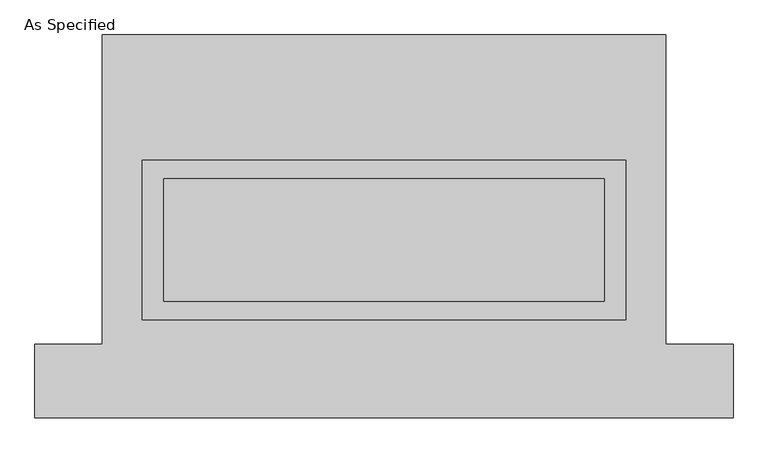
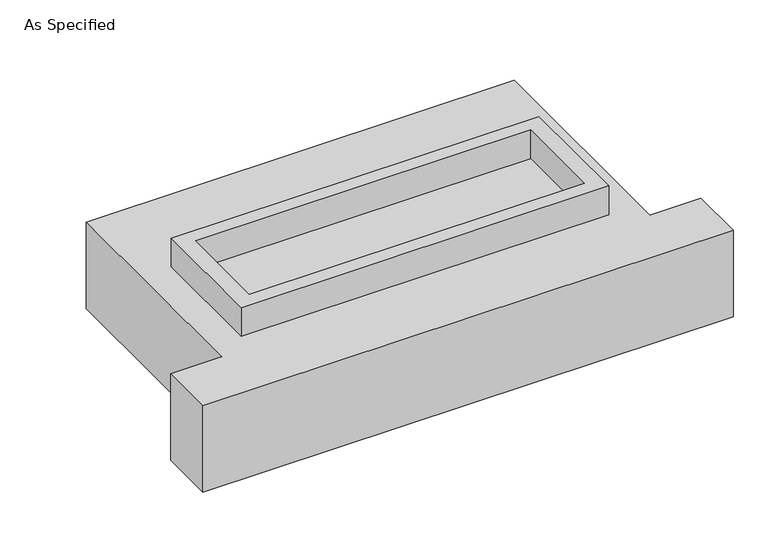
"""IFC4 building model written with IfcOpenShell, lengths in millimetres: proxy geometry, As Specified."""

import ifcopenshell
import ifcopenshell.guid

model = None  # the IFC model being written
_history = None  # IfcOwnerHistory: only IFC2X3 demands one
_inside = {}  # id of a spatial element -> (the spatial element, [elements in it])
_under = {}  # id of a project, library or spatial element -> (it, [spatial elements below it])
_declared = {}  # id of a project -> (the project, [libraries it declares])
_typed = {}  # id of a type object -> (the type object, [elements of that type])
_made_of = {}  # id of a material, layer set ... -> (it, [elements and type objects made of it])


def new_model(schema):
    """Start an empty IFC model of exactly this schema.

    Asked for "IFC4X3", IfcOpenShell would pick the latest addendum, in which some entities
    have other attributes; the version numbers below select the first issue.
    IFC2X3 requires an IfcOwnerHistory on every rooted entity: one is made here for all.
    """
    global model, _history
    if schema == "IFC4X3":
        model = ifcopenshell.file(schema_version=(4, 3, 0, 0))
    else:
        model = ifcopenshell.file(schema=schema)
    _inside.clear()
    _under.clear()
    _declared.clear()
    _typed.clear()
    _made_of.clear()
    _history = None
    if model.schema == "IFC2X3":
        org = make("IfcOrganization", Name="unknown")
        user = make(
            "IfcPersonAndOrganization",
            ThePerson=make("IfcPerson", FamilyName="unknown"),
            TheOrganization=org,
        )
        app = make(
            "IfcApplication",
            ApplicationDeveloper=org,
            Version="unknown",
            ApplicationFullName="unknown",
            ApplicationIdentifier="unknown",
        )
        _history = make(
            "IfcOwnerHistory",
            OwningUser=user,
            OwningApplication=app,
            ChangeAction="ADDED",
            CreationDate=0,
        )
    return model


def make(cls, **values):
    """One entity of the class cls with the attributes given. An attribute that is None is left unset."""
    return model.create_entity(
        cls, **{name: value for name, value in values.items() if value is not None}
    )


def rooted(cls, **values):
    """An entity with a GlobalId (a new one), such as an element, a storey or a relation."""
    return make(cls, GlobalId=ifcopenshell.guid.new(), OwnerHistory=_history, **values)


def si_unit(unit_type, name, prefix=None):
    """IfcSIUnit, for example si_unit("LENGTHUNIT", "METRE", prefix="MILLI")."""
    return make("IfcSIUnit", UnitType=unit_type, Prefix=prefix, Name=name)


def assignment(units):
    """IfcUnitAssignment: the units of a project."""
    return None if units is None else make("IfcUnitAssignment", Units=units)


def point(xyz):
    """IfcCartesianPoint."""
    return None if xyz is None else make("IfcCartesianPoint", Coordinates=xyz)


def direction(xyz):
    """IfcDirection."""
    return None if xyz is None else make("IfcDirection", DirectionRatios=xyz)


def frame(location, z_axis=None, x_axis=None):
    """IfcAxis2Placement3D, a coordinate frame: its origin and axes. An axis left out is left unset."""
    return make(
        "IfcAxis2Placement3D",
        Location=point(location),
        Axis=direction(z_axis),
        RefDirection=direction(x_axis),
    )


def origin():
    """The frame at (0, 0, 0) with its axes left unset."""
    return frame((0.0, 0.0, 0.0))


def place(relative_to, where):
    """IfcLocalPlacement: puts the frame where relative to a parent placement (None: the world)."""
    return make(
        "IfcLocalPlacement", PlacementRelTo=relative_to, RelativePlacement=where
    )


def context(
    kind, dimensions, precision=None, world=None, true_north=None, identifier=None
):
    """IfcGeometricRepresentationContext, for example the 3D "Model" context."""
    return make(
        "IfcGeometricRepresentationContext",
        ContextIdentifier=identifier,
        ContextType=kind,
        CoordinateSpaceDimension=dimensions,
        Precision=precision,
        WorldCoordinateSystem=world,
        TrueNorth=true_north,
    )


def project(units=None, contexts=None):
    """IfcProject with its units and contexts."""
    return rooted(
        "IfcProject",
        Name="project",
        RepresentationContexts=contexts,
        UnitsInContext=assignment(units),
    )


def spatial(cls, under=None, at=None, **own):
    """A site, building, storey or space (cls), placed at a placement, below another one or the project."""
    s = rooted(cls, ObjectPlacement=at, **own)
    if under is not None:
        _under.setdefault(under.id(), (under, []))[1].append(s)
    return s


def polyline(points):
    """IfcPolyline through the points."""
    return make("IfcPolyline", Points=[point(p) for p in points])


def outline(outer, holes=None, kind="AREA"):
    """IfcArbitraryClosedProfileDef: a profile drawn as a closed curve; with holes, ...WithVoids."""
    if holes is None:
        return make("IfcArbitraryClosedProfileDef", ProfileType=kind, OuterCurve=outer)
    return make(
        "IfcArbitraryProfileDefWithVoids",
        ProfileType=kind,
        OuterCurve=outer,
        InnerCurves=holes,
    )


def extrude(swept, where, along, depth):
    """IfcExtrudedAreaSolid: the profile swept, set in the frame where, extruded along a direction by depth."""
    return make(
        "IfcExtrudedAreaSolid",
        SweptArea=swept,
        Position=where,
        ExtrudedDirection=direction(along),
        Depth=depth,
    )


def shape(context_of_items, identifier, shape_type, items):
    """IfcShapeRepresentation: the items that make up one representation, for example the "Body"."""
    return make(
        "IfcShapeRepresentation",
        ContextOfItems=context_of_items,
        RepresentationIdentifier=identifier,
        RepresentationType=shape_type,
        Items=items,
    )


def source(mapping_origin, context_of_items, identifier, shape_type, items):
    """IfcRepresentationMap: a shape defined once, which mapped items show again and again."""
    return make(
        "IfcRepresentationMap",
        MappingOrigin=mapping_origin,
        MappedRepresentation=shape(context_of_items, identifier, shape_type, items),
    )


def transform(
    local_origin,
    x_axis=None,
    y_axis=None,
    z_axis=None,
    scale=None,
    scale2=None,
    scale3=None,
    uniform=True,
):
    """IfcCartesianTransformationOperator3D, or its non-uniform kind. x_axis, y_axis, z_axis: its Axis1, 2, 3."""
    if uniform:
        return make(
            "IfcCartesianTransformationOperator3D",
            Axis1=direction(x_axis),
            Axis2=direction(y_axis),
            LocalOrigin=point(local_origin),
            Scale=scale,
            Axis3=direction(z_axis),
        )
    return make(
        "IfcCartesianTransformationOperator3DnonUniform",
        Axis1=direction(x_axis),
        Axis2=direction(y_axis),
        LocalOrigin=point(local_origin),
        Scale=scale,
        Axis3=direction(z_axis),
        Scale2=scale2,
        Scale3=scale3,
    )


def mapped(mapping_source, mapping_target):
    """IfcMappedItem: shows the shape of a source again, moved by a transform."""
    return make(
        "IfcMappedItem", MappingSource=mapping_source, MappingTarget=mapping_target
    )


def made_of(thing, what):
    """Note that an element or type object is made of a material, layer set ...; save() writes the relation."""
    if what is not None:
        _made_of.setdefault(what.id(), (what, []))[1].append(thing)
    return thing


def element(
    cls,
    number,
    at=None,
    inside=None,
    cuts=None,
    type_object=None,
    material=None,
    context=None,
    identifier="Body",
    shape_type=None,
    held_by="IfcProductDefinitionShape",
    body=None,
    shapes=None,
    **own,
):
    """One element of the class cls, such as IfcWall. Its Tag is "e" and its number.

    at: its placement. inside: the storey or other place that contains it. cuts: it is an
    opening in that element (IfcRelVoidsElement). A single representation is given by context,
    identifier, shape_type and body (its items); several are given by shapes. held_by: the class
    of the entity that holds the representations. save() writes the other relations.
    """
    e = rooted(cls, Tag="e%d" % number, ObjectPlacement=at, **own)
    if body is not None:
        shapes = [shape(context, identifier, shape_type, body)]
    if shapes is not None:
        e.Representation = make(held_by, Representations=shapes)
    if inside is not None:
        _inside.setdefault(inside.id(), (inside, []))[1].append(e)
    if cuts is not None:
        rooted(
            "IfcRelVoidsElement", RelatingBuildingElement=cuts, RelatedOpeningElement=e
        )
    if type_object is not None:
        _typed.setdefault(type_object.id(), (type_object, []))[1].append(e)
    return made_of(e, material)


def aggregate(whole, parts):
    """IfcRelAggregates: a whole, such as a stair, and the parts it consists of."""
    return rooted("IfcRelAggregates", RelatingObject=whole, RelatedObjects=parts)


def save(model, path):
    """Write the relations noted so far, then the file.

    IfcRelAggregates (storeys below a building ...), IfcRelContainedInSpatialStructure (elements
    in a storey), IfcRelDefinesByType, IfcRelAssociatesMaterial and IfcRelDeclares: one each for
    every whole, place, type object, material and project.
    """
    for whole, parts in _under.values():
        aggregate(whole, parts)
    for where, things in _inside.values():
        rooted(
            "IfcRelContainedInSpatialStructure",
            RelatedElements=things,
            RelatingStructure=where,
        )
    for kind, things in _typed.values():
        rooted("IfcRelDefinesByType", RelatedObjects=things, RelatingType=kind)
    for what, things in _made_of.values():
        rooted("IfcRelAssociatesMaterial", RelatedObjects=things, RelatingMaterial=what)
    for by, libraries in _declared.values():
        rooted("IfcRelDeclares", RelatingContext=by, RelatedDefinitions=libraries)
    model.write(path)


def as_specified_69841940(model_context):
    return source(origin(), model_context, "Body", "SweptSolid", [
        extrude(outline(polyline([(1003.3, 273.05), (1003.3, -387.35), (-1003.3, -387.35), (-1003.3, 273.05), (1003.3, 273.05)]), holes=[polyline([(914.4, 196.85), (-914.4, 196.85), (-914.4, -311.15), (914.4, -311.15), (914.4, 196.85)])]), frame((0.0, 0.0, -688.975), z_axis=(0.0, 0.0, 1.0), x_axis=(1.0, 0.0, 0.0)), (0.0, 0.0, 1.0), 165.1),
        extrude(outline(polyline([(1003.3, 273.05), (1003.3, -387.35), (-1003.3, -387.35), (-1003.3, 273.05), (1003.3, 273.05)]), holes=[polyline([(914.4, 196.85), (-914.4, 196.85), (-914.4, -311.15), (914.4, -311.15), (914.4, 196.85)])]), frame((0.0, 0.0, -25.4), z_axis=(0.0, 0.0, 1.0), x_axis=(1.0, 0.0, 0.0)), (0.0, 0.0, 1.0), 165.1),
        extrude(outline(polyline([(914.4, 196.85), (914.4, -311.15), (-914.4, -311.15), (-914.4, 196.85), (914.4, 196.85)])), frame((0.0, 0.0, -523.875), z_axis=(0.0, 0.0, 1.0), x_axis=(1.0, 0.0, 0.0)), (0.0, 0.0, 1.0), 4.9609375),
        extrude(outline(polyline([(914.4, 196.85), (914.4, -311.15), (-914.4, -311.15), (-914.4, 196.85), (914.4, 196.85)])), frame((0.0, 0.0, -30.3609375), z_axis=(0.0, 0.0, 1.0), x_axis=(1.0, 0.0, 0.0)), (0.0, 0.0, 1.0), 4.9609375),
        extrude(outline(polyline([(-1168.4, 793.75), (1168.4, 793.75), (1168.4, -488.95), (1447.8, -488.95), (1447.8, -793.75), (-1447.8, -793.75), (-1447.8, -488.95), (-1168.4, -488.95), (-1168.4, 793.75)]), holes=[polyline([(-1003.3, 273.05), (-1003.3, -387.35), (1003.3, -387.35), (1003.3, 273.05), (-1003.3, 273.05)])]), frame((0.0, 0.0, -523.875), z_axis=(0.0, 0.0, 1.0), x_axis=(1.0, 0.0, 0.0)), (0.0, 0.0, 1.0), 498.475),
    ])


if __name__ == "__main__":
    model = new_model("IFC4")
    model_context = context("Model", 3, world=origin())
    ifc_project = project(units=[si_unit("LENGTHUNIT", "METRE", prefix="MILLI")], contexts=[model_context])
    site = spatial("IfcSite", under=ifc_project)
    building = spatial("IfcBuilding", under=site)
    placement = place(None, origin())
    as_specified_shape = as_specified_69841940(model_context)
    element("IfcBuildingElementProxy", 1, Name="As Specified", ObjectType="As Specified", at=placement, inside=building, context=model_context, shape_type="MappedRepresentation", body=[
        mapped(as_specified_shape, transform((0.0, 0.0, 0.0), x_axis=(1.0, 0.0, 0.0), y_axis=(0.0, 1.0, 0.0), z_axis=(0.0, 0.0, 1.0))),
    ])
    save(model, "model.ifc")
